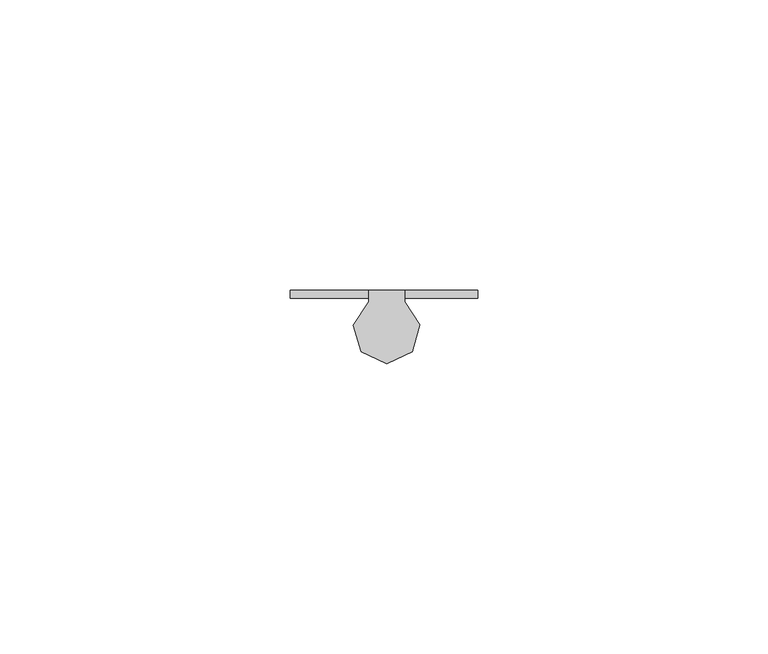
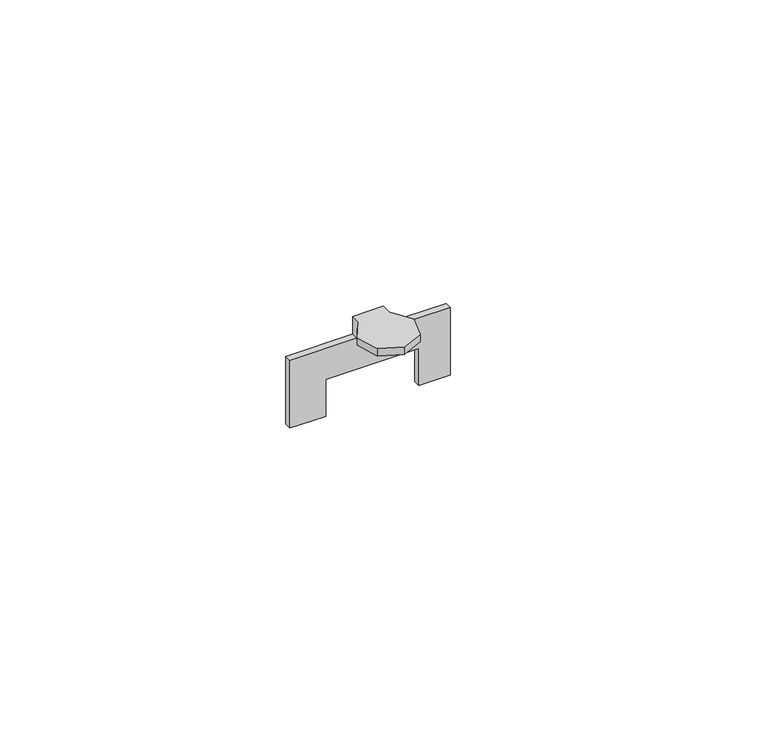
"""IFC4 building model written with IfcOpenShell, lengths in millimetres: furniture geometry."""

from ifc_helpers import new_model, si_unit, origin, place, context, project, spatial, faceted_brep, source, transform, mapped, element, save


def furniture_af157b0d(model_context):
    return source(origin(), model_context, "Body", "Brep", [
        faceted_brep([(-3.1242001, 13.3604002, 1703.3240349), (-3.1242001, 11.3532042, 1703.3240349), (-5.7322065, 7.3015052, 1703.3240349), (-4.3718724, 2.6790099, 1703.3240349), (0.0150581, 0.6858196, 1703.3240349), (4.391564, 2.7017964, 1703.3240349), (5.7278412, 7.3313027, 1703.3240349), (3.0987999, 11.3693857, 1703.3240349), (3.0987999, 13.3604002, 1703.3240349), (3.0987999, 11.3693857, 1701.8), (5.7278412, 7.3313027, 1701.8), (4.391564, 2.7017964, 1701.8), (0.0150581, 0.6858196, 1701.8), (-4.3718724, 2.6790099, 1701.8), (-5.7322065, 7.3015052, 1701.8), (-3.1242001, 11.3532042, 1701.8), (-3.1242001, 11.938, 1701.8), (3.0987999, 11.938, 1701.8), (3.0987999, 11.938, 1699.5140407), (3.0987999, 13.3604002, 1699.5140407), (15.7479997, 13.3604002, 1699.5140407), (15.7479997, 13.3604002, 1685.036), (9.3980001, 13.3604002, 1685.036), (9.3980001, 13.3604002, 1692.9100107), (-9.3980001, 13.3604002, 1692.9100107), (-9.3980001, 13.3604002, 1685.036), (-16.6624005, 13.3604002, 1685.036), (-16.6624005, 13.3604002, 1699.5140407), (-3.1242001, 13.3604002, 1699.5140407), (-3.1242001, 11.938, 1699.5140407), (-9.3980001, 11.938, 1685.036), (-9.3980001, 11.938, 1692.9100107), (9.3980001, 11.938, 1692.9100107), (9.3980001, 11.938, 1685.036), (15.7479997, 11.938, 1685.036), (15.7479997, 11.938, 1699.5140407), (-16.6624005, 11.938, 1699.5140407), (-16.6624005, 11.938, 1685.036)], [[[0, 1, 2, 3, 4, 5, 6, 7, 8]], [[9, 10, 11, 12, 13, 14, 15, 16, 17]], [[2, 1, 15, 14]], [[3, 2, 14, 13]], [[4, 3, 13, 12]], [[5, 4, 12, 11]], [[6, 5, 11, 10]], [[7, 6, 10, 9]], [[7, 9, 17, 18, 19, 8]], [[0, 8, 19, 20, 21, 22, 23, 24, 25, 26, 27, 28]], [[15, 1, 0, 28, 29, 16]], [[30, 31, 32, 33, 34, 35, 18, 17, 16, 29, 36, 37]], [[31, 30, 25, 24]], [[32, 31, 24, 23]], [[33, 32, 23, 22]], [[34, 33, 22, 21]], [[35, 34, 21, 20]], [[18, 35, 20, 19]], [[36, 29, 28, 27]], [[37, 36, 27, 26]], [[30, 37, 26, 25]]]),
    ])


if __name__ == "__main__":
    model = new_model("IFC4")
    model_context = context("Model", 3, world=origin())
    ifc_project = project(units=[si_unit("LENGTHUNIT", "METRE", prefix="MILLI")], contexts=[model_context])
    site = spatial("IfcSite", under=ifc_project)
    building = spatial("IfcBuilding", under=site)
    placement = place(None, origin())
    furniture_shape = furniture_af157b0d(model_context)
    element("IfcFurniture", 1, at=placement, inside=building, context=model_context, shape_type="MappedRepresentation", body=[
        mapped(furniture_shape, transform((0.0, 0.0, 0.0), x_axis=(1.0, 0.0, 0.0), y_axis=(0.0, 1.0, 0.0), z_axis=(0.0, 0.0, 1.0))),
    ])
    save(model, "model.ifc")
